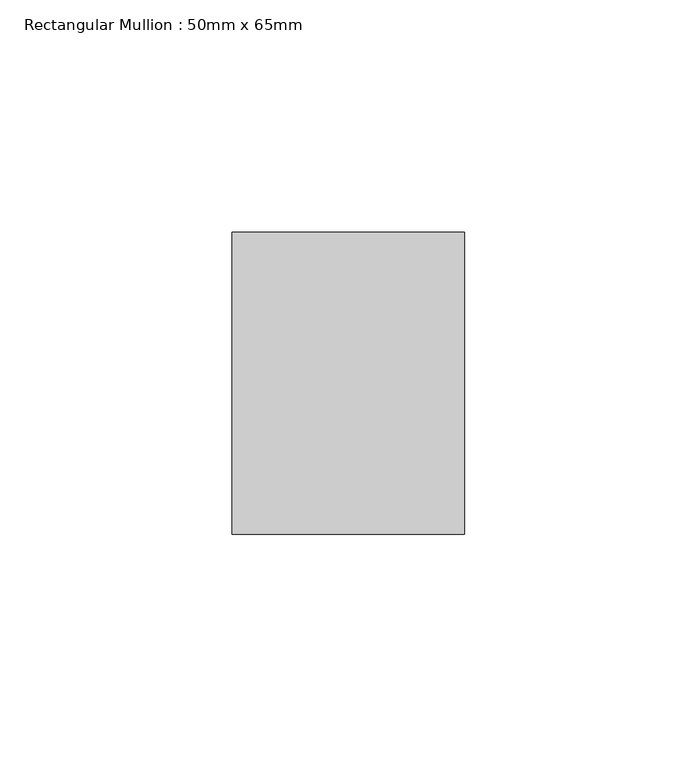
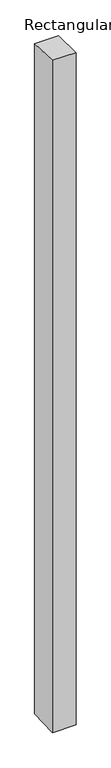
"""IFC4 building model written with IfcOpenShell, lengths in millimetres: member geometry, Rectangular Mullion : 50mm x 65mm."""

from ifc_helpers import new_model, si_unit, origin, place, context, project, spatial, faceted_brep, source, transform, mapped, element, save


def rectangular_mullion_50mm_x_65mm_9d0320a0(model_context):
    return source(origin(), model_context, "Body", "Brep", [
        faceted_brep([(-25.0, 32.5, -1.1419457), (25.0, 32.5, -1.1419548), (25.0, 32.5, -1498.5324617), (-25.0, 32.5, -1498.5324734), (-25.0, -32.5, 1.1419548), (-25.0, -32.5, -1501.4678239), (25.0, -32.5, 1.1419457), (25.0, -32.5, -1501.4678122)], [[[0, 1, 2, 3]], [[4, 0, 3, 5]], [[6, 4, 5, 7]], [[1, 6, 7, 2]], [[1, 0, 4, 6]], [[2, 7, 5, 3]]]),
    ])


if __name__ == "__main__":
    model = new_model("IFC4")
    model_context = context("Model", 3, world=origin())
    ifc_project = project(units=[si_unit("LENGTHUNIT", "METRE", prefix="MILLI")], contexts=[model_context])
    site = spatial("IfcSite", under=ifc_project)
    building = spatial("IfcBuilding", under=site)
    placement = place(None, origin())
    rectangular_mullion_50mm_x_65mm_shape = rectangular_mullion_50mm_x_65mm_9d0320a0(model_context)
    element("IfcMember", 1, ObjectType="Rectangular Mullion : 50mm x 65mm", at=placement, inside=building, context=model_context, shape_type="MappedRepresentation", body=[
        mapped(rectangular_mullion_50mm_x_65mm_shape, transform((0.0, 0.0, 0.0), x_axis=(1.0, 0.0, 0.0), y_axis=(0.0, 1.0, 0.0), z_axis=(0.0, 0.0, 1.0))),
    ])
    save(model, "model.ifc")
